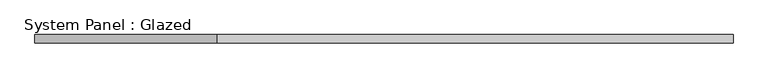
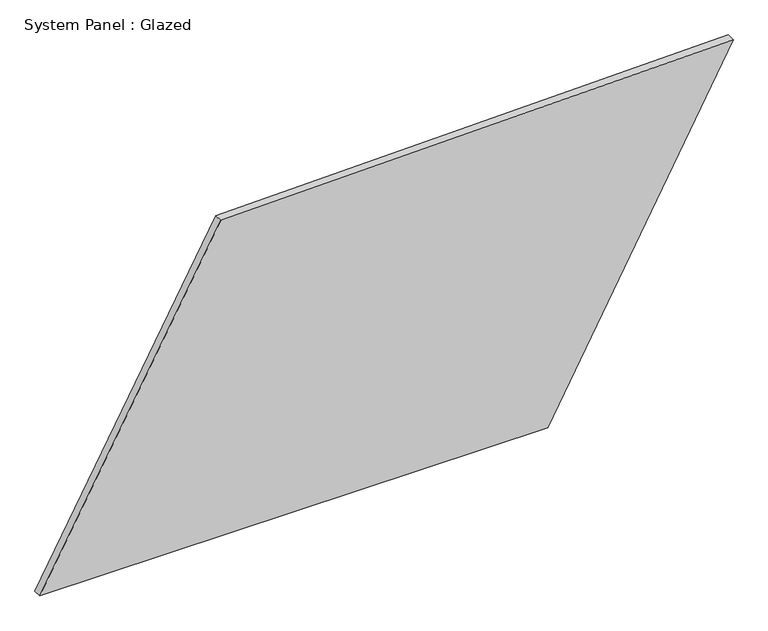
"""IFC4 building model written with IfcOpenShell, lengths in millimetres: plate geometry, System Panel : Glazed."""

from ifc_helpers import new_model, si_unit, frame, origin, place, context, project, spatial, polyline, outline, extrude, source, transform, mapped, element, save


def system_panel_glazed_f3325f4c(model_context):
    return source(origin(), model_context, "Body", "SweptSolid", [
        extrude(outline(polyline([(0.0, -1051.4710592), (0.0, 489.7039968), (1047.1402062, 1051.4710592), (1011.5289428, -502.4975033), (0.0, -1051.4710592)])), frame((0.0, -49.5, 0.0), z_axis=(0.0, 1.0, 0.0), x_axis=(0.0, 0.0, 1.0)), (0.0, 0.0, 1.0), 25.0),
    ])


if __name__ == "__main__":
    model = new_model("IFC4")
    model_context = context("Model", 3, world=origin())
    ifc_project = project(units=[si_unit("LENGTHUNIT", "METRE", prefix="MILLI")], contexts=[model_context])
    site = spatial("IfcSite", under=ifc_project)
    building = spatial("IfcBuilding", under=site)
    placement = place(None, origin())
    system_panel_glazed_shape = system_panel_glazed_f3325f4c(model_context)
    element("IfcPlate", 1, ObjectType="System Panel : Glazed", at=placement, inside=building, context=model_context, shape_type="MappedRepresentation", body=[
        mapped(system_panel_glazed_shape, transform((0.0, 0.0, 0.0), x_axis=(1.0, 0.0, 0.0), y_axis=(0.0, 1.0, 0.0), z_axis=(0.0, 0.0, 1.0))),
    ])
    save(model, "model.ifc")
